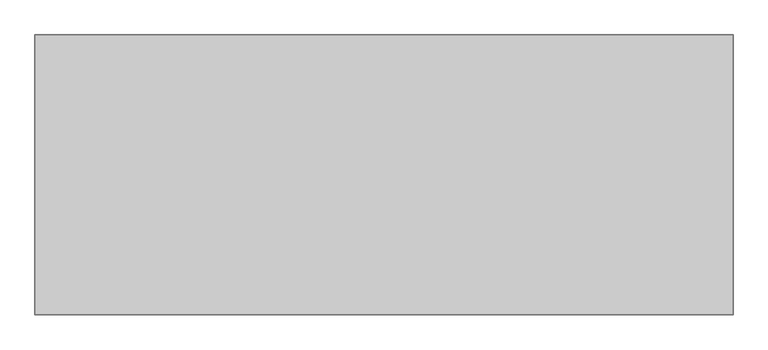
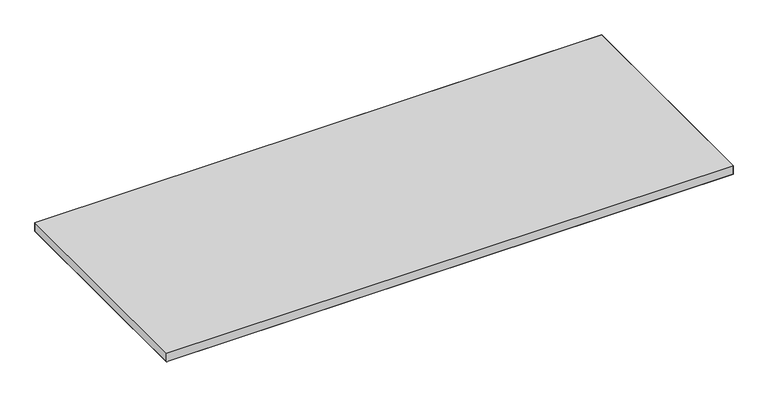
"""IFC4 building model written with IfcOpenShell, lengths in millimetres: furniture geometry."""

from ifc_helpers import new_model, si_unit, origin, place, context, project, spatial, triangles, source, transform, mapped, element, save


def furniture_15b8e8f1(model_context):
    return source(origin(), model_context, "Body", "Tessellation", [
        triangles([(1827.2759651, -1.524, 725.4240349), (1.524, -1.524, 725.4240349), (1.524, -735.0759893, 725.4240349), (1827.2759651, -735.0759893, 725.4240349), (1827.2759651, -1.524, 695.8330359), (1827.2759651, -735.0759893, 695.8330359), (1.524, -735.0759893, 695.8330359), (1.524, -1.524, 695.8330359)], [[1, 2, 3], [1, 3, 4], [5, 6, 7], [5, 7, 8]], closed=False),
        triangles([(1.524, -1.524, 725.4240349), (1827.2759651, -1.524, 725.4240349), (1827.2759651, -1.524, 695.8330359), (1.524, -1.524, 695.8330359), (1.524, -735.0759893, 695.8330359), (1.524, -735.0759893, 725.4240349), (1827.2759651, -735.0759893, 725.4240349), (1827.2759651, -735.0759893, 695.8330359)], [[1, 2, 3], [1, 3, 4], [5, 6, 1], [5, 1, 4], [2, 7, 8], [2, 8, 3], [5, 8, 7], [5, 7, 6]], closed=False),
    ])


if __name__ == "__main__":
    model = new_model("IFC4")
    model_context = context("Model", 3, world=origin())
    ifc_project = project(units=[si_unit("LENGTHUNIT", "METRE", prefix="MILLI")], contexts=[model_context])
    site = spatial("IfcSite", under=ifc_project)
    building = spatial("IfcBuilding", under=site)
    placement = place(None, origin())
    furniture_shape = furniture_15b8e8f1(model_context)
    element("IfcFurniture", 1, at=placement, inside=building, context=model_context, shape_type="MappedRepresentation", body=[
        mapped(furniture_shape, transform((0.0, 0.0, 0.0), x_axis=(1.0, 0.0, 0.0), y_axis=(0.0, 1.0, 0.0), z_axis=(0.0, 0.0, 1.0))),
    ])
    save(model, "model.ifc")
